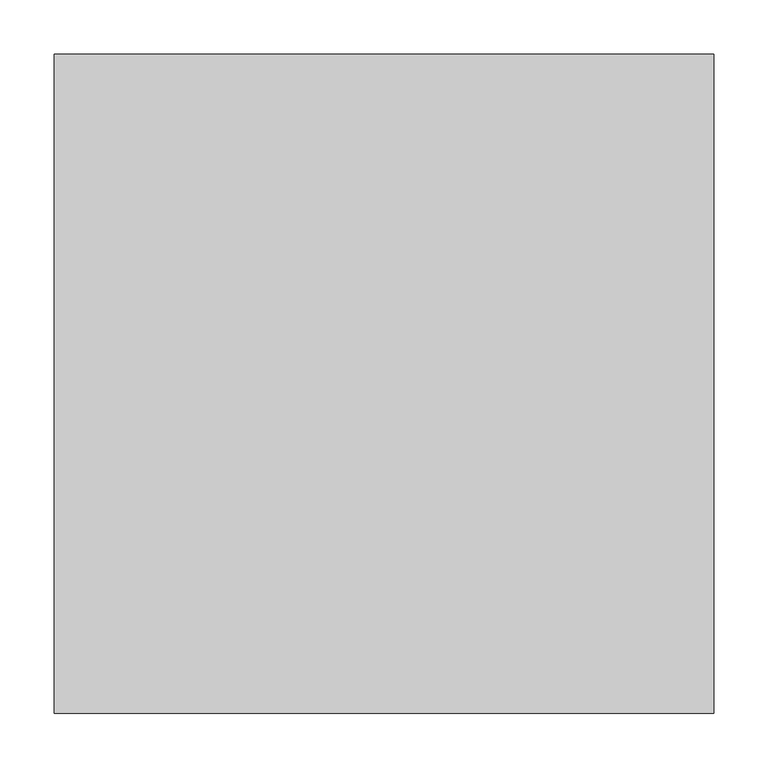
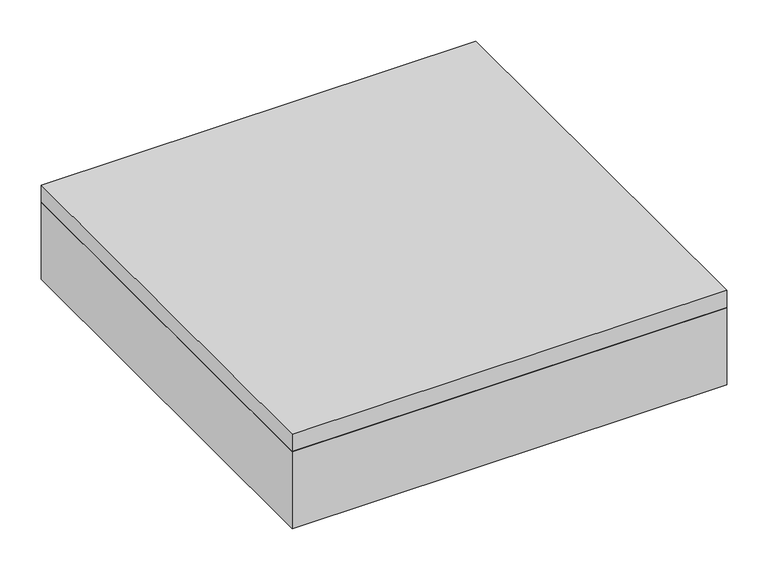
"""IFC4 building model written with IfcOpenShell, lengths in millimetres: light fixture geometry."""

from ifc_helpers import new_model, si_unit, frame, origin, place, context, project, spatial, polyline, outline, extrude, source, transform, mapped, element, save


def light_fixture_42650cf3(model_context):
    return source(origin(), model_context, "Body", "SweptSolid", [
        extrude(outline(polyline([(260.6964984, 219.9340679), (260.6964984, -338.8659321), (-298.1035016, -338.8659321), (-298.1035016, 219.9340679), (260.6964984, 219.9340679)]), holes=[polyline([(-113.9535016, 35.7840679), (-113.9535016, 213.5840679), (-291.7535016, 213.5840679), (-291.7535016, 35.7840679), (-113.9535016, 35.7840679)]), polyline([(-113.9535016, -148.3659321), (-113.9535016, 29.4340679), (-291.7535016, 29.4340679), (-291.7535016, -148.3659321), (-113.9535016, -148.3659321)]), polyline([(-113.9535016, -154.7159321), (-291.7535016, -154.7159321), (-291.7535016, -332.5159321), (-113.9535016, -332.5159321), (-113.9535016, -154.7159321)]), polyline([(70.1964984, 35.7840679), (70.1964984, 213.5840679), (-107.6035016, 213.5840679), (-107.6035016, 35.7840679), (70.1964984, 35.7840679)]), polyline([(70.1964984, -148.3659321), (70.1964984, 29.4340679), (-107.6035016, 29.4340679), (-107.6035016, -148.3659321), (70.1964984, -148.3659321)]), polyline([(70.1964984, -154.7159321), (-107.6035016, -154.7159321), (-107.6035016, -332.5159321), (70.1964984, -332.5159321), (70.1964984, -154.7159321)]), polyline([(254.3464984, 35.7840679), (254.3464984, 213.5840679), (76.5464984, 213.5840679), (76.5464984, 35.7840679), (254.3464984, 35.7840679)]), polyline([(254.3464984, -148.3659321), (254.3464984, 29.4340679), (76.5464984, 29.4340679), (76.5464984, -148.3659321), (254.3464984, -148.3659321)]), polyline([(254.3464984, -154.7159321), (76.5464984, -154.7159321), (76.5464984, -332.5159321), (254.3464984, -332.5159321), (254.3464984, -154.7159321)])]), frame((0.0, 0.0, 2438.4), z_axis=(0.0, 0.0, 1.0), x_axis=(1.0, 0.0, 0.0)), (0.0, 0.0, 1.0), 3.175),
        extrude(outline(polyline([(260.6964984, 219.9340679), (260.6964984, -338.8659321), (-298.1035016, -338.8659321), (-298.1035016, 219.9340679), (260.6964984, 219.9340679)])), frame((0.0, 0.0, 2514.6), z_axis=(0.0, 0.0, 1.0), x_axis=(1.0, 0.0, 0.0)), (0.0, 0.0, 1.0), 6.35),
        extrude(outline(polyline([(260.6964984, 219.9340679), (260.6964984, -338.8659321), (-298.1035016, -338.8659321), (-298.1035016, 219.9340679), (260.6964984, 219.9340679)]), holes=[polyline([(-113.9535016, 35.7840679), (-113.9535016, 213.5840679), (-291.7535016, 213.5840679), (-291.7535016, 35.7840679), (-113.9535016, 35.7840679)]), polyline([(-113.9535016, -148.3659321), (-113.9535016, 29.4340679), (-291.7535016, 29.4340679), (-291.7535016, -148.3659321), (-113.9535016, -148.3659321)]), polyline([(-113.9535016, -154.7159321), (-291.7535016, -154.7159321), (-291.7535016, -332.5159321), (-113.9535016, -332.5159321), (-113.9535016, -154.7159321)]), polyline([(70.1964984, 35.7840679), (70.1964984, 213.5840679), (-107.6035016, 213.5840679), (-107.6035016, 35.7840679), (70.1964984, 35.7840679)]), polyline([(70.1964984, -148.3659321), (70.1964984, 29.4340679), (-107.6035016, 29.4340679), (-107.6035016, -148.3659321), (70.1964984, -148.3659321)]), polyline([(70.1964984, -154.7159321), (-107.6035016, -154.7159321), (-107.6035016, -332.5159321), (70.1964984, -332.5159321), (70.1964984, -154.7159321)]), polyline([(254.3464984, 35.7840679), (254.3464984, 213.5840679), (76.5464984, 213.5840679), (76.5464984, 35.7840679), (254.3464984, 35.7840679)]), polyline([(254.3464984, -148.3659321), (254.3464984, 29.4340679), (76.5464984, 29.4340679), (76.5464984, -148.3659321), (254.3464984, -148.3659321)]), polyline([(254.3464984, -154.7159321), (76.5464984, -154.7159321), (76.5464984, -332.5159321), (254.3464984, -332.5159321), (254.3464984, -154.7159321)])]), frame((0.0, 0.0, 2441.575), z_axis=(0.0, 0.0, 1.0), x_axis=(1.0, 0.0, 0.0)), (0.0, 0.0, 1.0), 47.625),
        extrude(outline(polyline([(286.0964984, 245.3340679), (286.0964984, -364.2659321), (-323.5035016, -364.2659321), (-323.5035016, 245.3340679), (286.0964984, 245.3340679)]), holes=[polyline([(260.6964984, 219.9340679), (-298.1035016, 219.9340679), (-298.1035016, -338.8659321), (260.6964984, -338.8659321), (260.6964984, 219.9340679)])]), frame((0.0, 0.0, 2438.4), z_axis=(0.0, 0.0, 1.0), x_axis=(1.0, 0.0, 0.0)), (0.0, 0.0, 1.0), 114.3),
        extrude(outline(polyline([(286.0964984, 245.3340679), (286.0964984, -364.2659321), (-323.5035016, -364.2659321), (-323.5035016, 245.3340679), (286.0964984, 245.3340679)])), frame((0.0, 0.0, 2552.7), z_axis=(0.0, 0.0, 1.0), x_axis=(1.0, 0.0, 0.0)), (0.0, 0.0, 1.0), 25.4),
    ])


if __name__ == "__main__":
    model = new_model("IFC4")
    model_context = context("Model", 3, world=origin())
    ifc_project = project(units=[si_unit("LENGTHUNIT", "METRE", prefix="MILLI")], contexts=[model_context])
    site = spatial("IfcSite", under=ifc_project)
    building = spatial("IfcBuilding", under=site)
    placement = place(None, origin())
    light_fixture_shape = light_fixture_42650cf3(model_context)
    element("IfcLightFixture", 1, at=placement, inside=building, context=model_context, shape_type="MappedRepresentation", body=[
        mapped(light_fixture_shape, transform((0.0, 0.0, 0.0), x_axis=(1.0, 0.0, 0.0), y_axis=(0.0, 1.0, 0.0), z_axis=(0.0, 0.0, 1.0))),
    ])
    save(model, "model.ifc")
